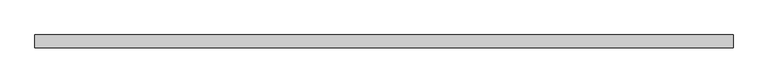
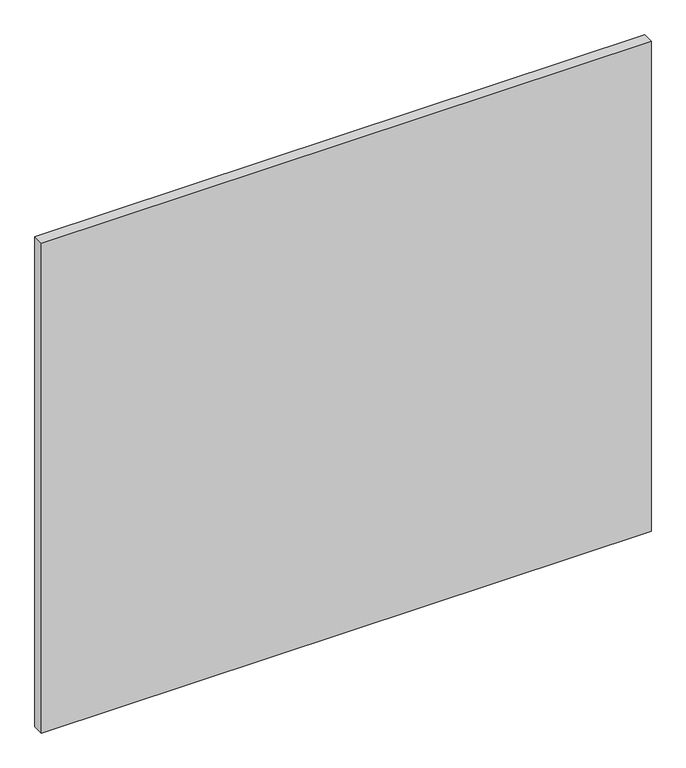
"""IFC4 building model written with IfcOpenShell, lengths in millimetres: proxy geometry."""

from ifc_helpers import new_model, si_unit, frame, origin, place, context, project, spatial, polyline, outline, extrude, source, transform, mapped, element, save


def specialty_equipment_a04ea2d5(model_context):
    return source(origin(), model_context, "Body", "SweptSolid", [
        extrude(outline(polyline([(525.1749999, 0.0), (-525.1749999, 0.0), (-525.1749999, 19.05), (525.1749999, 19.05), (525.1749999, 0.0)])), frame((0.0, 0.0, 3.175), z_axis=(0.0, 0.0, 1.0), x_axis=(1.0, 0.0, 0.0)), (0.0, 0.0, 1.0), 892.175),
    ])


if __name__ == "__main__":
    model = new_model("IFC4")
    model_context = context("Model", 3, world=origin())
    ifc_project = project(units=[si_unit("LENGTHUNIT", "METRE", prefix="MILLI")], contexts=[model_context])
    site = spatial("IfcSite", under=ifc_project)
    building = spatial("IfcBuilding", under=site)
    placement = place(None, origin())
    specialty_equipment_shape = specialty_equipment_a04ea2d5(model_context)
    element("IfcBuildingElementProxy", 1, Name="Specialty Equipment", at=placement, inside=building, context=model_context, shape_type="MappedRepresentation", body=[
        mapped(specialty_equipment_shape, transform((0.0, 0.0, 0.0), x_axis=(1.0, 0.0, 0.0), y_axis=(0.0, 1.0, 0.0), z_axis=(0.0, 0.0, 1.0))),
    ])
    save(model, "model.ifc")
